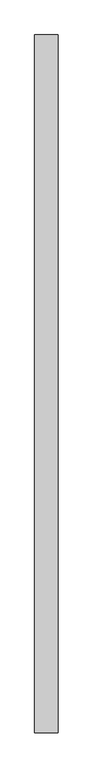
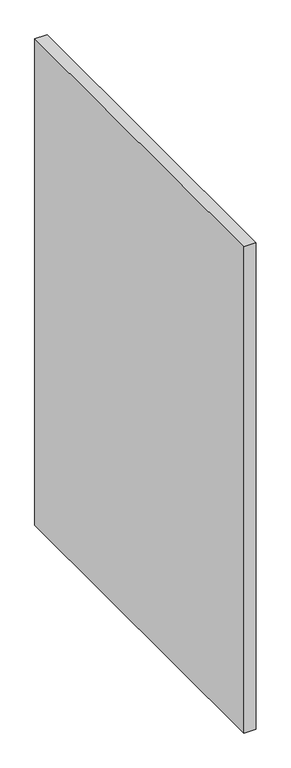
"""IFC4 building model written with IfcOpenShell, lengths in millimetres: proxy geometry."""

import ifcopenshell
import ifcopenshell.guid

model = None  # the IFC model being written
_history = None  # IfcOwnerHistory: only IFC2X3 demands one
_inside = {}  # id of a spatial element -> (the spatial element, [elements in it])
_under = {}  # id of a project, library or spatial element -> (it, [spatial elements below it])
_declared = {}  # id of a project -> (the project, [libraries it declares])
_typed = {}  # id of a type object -> (the type object, [elements of that type])
_made_of = {}  # id of a material, layer set ... -> (it, [elements and type objects made of it])


def new_model(schema):
    """Start an empty IFC model of exactly this schema.

    Asked for "IFC4X3", IfcOpenShell would pick the latest addendum, in which some entities
    have other attributes; the version numbers below select the first issue.
    IFC2X3 requires an IfcOwnerHistory on every rooted entity: one is made here for all.
    """
    global model, _history
    if schema == "IFC4X3":
        model = ifcopenshell.file(schema_version=(4, 3, 0, 0))
    else:
        model = ifcopenshell.file(schema=schema)
    _inside.clear()
    _under.clear()
    _declared.clear()
    _typed.clear()
    _made_of.clear()
    _history = None
    if model.schema == "IFC2X3":
        org = make("IfcOrganization", Name="unknown")
        user = make(
            "IfcPersonAndOrganization",
            ThePerson=make("IfcPerson", FamilyName="unknown"),
            TheOrganization=org,
        )
        app = make(
            "IfcApplication",
            ApplicationDeveloper=org,
            Version="unknown",
            ApplicationFullName="unknown",
            ApplicationIdentifier="unknown",
        )
        _history = make(
            "IfcOwnerHistory",
            OwningUser=user,
            OwningApplication=app,
            ChangeAction="ADDED",
            CreationDate=0,
        )
    return model


def make(cls, **values):
    """One entity of the class cls with the attributes given. An attribute that is None is left unset."""
    return model.create_entity(
        cls, **{name: value for name, value in values.items() if value is not None}
    )


def rooted(cls, **values):
    """An entity with a GlobalId (a new one), such as an element, a storey or a relation."""
    return make(cls, GlobalId=ifcopenshell.guid.new(), OwnerHistory=_history, **values)


def si_unit(unit_type, name, prefix=None):
    """IfcSIUnit, for example si_unit("LENGTHUNIT", "METRE", prefix="MILLI")."""
    return make("IfcSIUnit", UnitType=unit_type, Prefix=prefix, Name=name)


def assignment(units):
    """IfcUnitAssignment: the units of a project."""
    return None if units is None else make("IfcUnitAssignment", Units=units)


def point(xyz):
    """IfcCartesianPoint."""
    return None if xyz is None else make("IfcCartesianPoint", Coordinates=xyz)


def direction(xyz):
    """IfcDirection."""
    return None if xyz is None else make("IfcDirection", DirectionRatios=xyz)


def frame(location, z_axis=None, x_axis=None):
    """IfcAxis2Placement3D, a coordinate frame: its origin and axes. An axis left out is left unset."""
    return make(
        "IfcAxis2Placement3D",
        Location=point(location),
        Axis=direction(z_axis),
        RefDirection=direction(x_axis),
    )


def origin():
    """The frame at (0, 0, 0) with its axes left unset."""
    return frame((0.0, 0.0, 0.0))


def origin_with_axes():
    """The frame at (0, 0, 0) with the z axis (0, 0, 1) and the x axis (1, 0, 0) written out."""
    return frame((0.0, 0.0, 0.0), z_axis=(0.0, 0.0, 1.0), x_axis=(1.0, 0.0, 0.0))


def place(relative_to, where):
    """IfcLocalPlacement: puts the frame where relative to a parent placement (None: the world)."""
    return make(
        "IfcLocalPlacement", PlacementRelTo=relative_to, RelativePlacement=where
    )


def context(
    kind, dimensions, precision=None, world=None, true_north=None, identifier=None
):
    """IfcGeometricRepresentationContext, for example the 3D "Model" context."""
    return make(
        "IfcGeometricRepresentationContext",
        ContextIdentifier=identifier,
        ContextType=kind,
        CoordinateSpaceDimension=dimensions,
        Precision=precision,
        WorldCoordinateSystem=world,
        TrueNorth=true_north,
    )


def project(units=None, contexts=None):
    """IfcProject with its units and contexts."""
    return rooted(
        "IfcProject",
        Name="project",
        RepresentationContexts=contexts,
        UnitsInContext=assignment(units),
    )


def spatial(cls, under=None, at=None, **own):
    """A site, building, storey or space (cls), placed at a placement, below another one or the project."""
    s = rooted(cls, ObjectPlacement=at, **own)
    if under is not None:
        _under.setdefault(under.id(), (under, []))[1].append(s)
    return s


def polyline(points):
    """IfcPolyline through the points."""
    return make("IfcPolyline", Points=[point(p) for p in points])


def outline(outer, holes=None, kind="AREA"):
    """IfcArbitraryClosedProfileDef: a profile drawn as a closed curve; with holes, ...WithVoids."""
    if holes is None:
        return make("IfcArbitraryClosedProfileDef", ProfileType=kind, OuterCurve=outer)
    return make(
        "IfcArbitraryProfileDefWithVoids",
        ProfileType=kind,
        OuterCurve=outer,
        InnerCurves=holes,
    )


def extrude(swept, where, along, depth):
    """IfcExtrudedAreaSolid: the profile swept, set in the frame where, extruded along a direction by depth."""
    return make(
        "IfcExtrudedAreaSolid",
        SweptArea=swept,
        Position=where,
        ExtrudedDirection=direction(along),
        Depth=depth,
    )


def shape(context_of_items, identifier, shape_type, items):
    """IfcShapeRepresentation: the items that make up one representation, for example the "Body"."""
    return make(
        "IfcShapeRepresentation",
        ContextOfItems=context_of_items,
        RepresentationIdentifier=identifier,
        RepresentationType=shape_type,
        Items=items,
    )


def source(mapping_origin, context_of_items, identifier, shape_type, items):
    """IfcRepresentationMap: a shape defined once, which mapped items show again and again."""
    return make(
        "IfcRepresentationMap",
        MappingOrigin=mapping_origin,
        MappedRepresentation=shape(context_of_items, identifier, shape_type, items),
    )


def transform(
    local_origin,
    x_axis=None,
    y_axis=None,
    z_axis=None,
    scale=None,
    scale2=None,
    scale3=None,
    uniform=True,
):
    """IfcCartesianTransformationOperator3D, or its non-uniform kind. x_axis, y_axis, z_axis: its Axis1, 2, 3."""
    if uniform:
        return make(
            "IfcCartesianTransformationOperator3D",
            Axis1=direction(x_axis),
            Axis2=direction(y_axis),
            LocalOrigin=point(local_origin),
            Scale=scale,
            Axis3=direction(z_axis),
        )
    return make(
        "IfcCartesianTransformationOperator3DnonUniform",
        Axis1=direction(x_axis),
        Axis2=direction(y_axis),
        LocalOrigin=point(local_origin),
        Scale=scale,
        Axis3=direction(z_axis),
        Scale2=scale2,
        Scale3=scale3,
    )


def mapped(mapping_source, mapping_target):
    """IfcMappedItem: shows the shape of a source again, moved by a transform."""
    return make(
        "IfcMappedItem", MappingSource=mapping_source, MappingTarget=mapping_target
    )


def made_of(thing, what):
    """Note that an element or type object is made of a material, layer set ...; save() writes the relation."""
    if what is not None:
        _made_of.setdefault(what.id(), (what, []))[1].append(thing)
    return thing


def element(
    cls,
    number,
    at=None,
    inside=None,
    cuts=None,
    type_object=None,
    material=None,
    context=None,
    identifier="Body",
    shape_type=None,
    held_by="IfcProductDefinitionShape",
    body=None,
    shapes=None,
    **own,
):
    """One element of the class cls, such as IfcWall. Its Tag is "e" and its number.

    at: its placement. inside: the storey or other place that contains it. cuts: it is an
    opening in that element (IfcRelVoidsElement). A single representation is given by context,
    identifier, shape_type and body (its items); several are given by shapes. held_by: the class
    of the entity that holds the representations. save() writes the other relations.
    """
    e = rooted(cls, Tag="e%d" % number, ObjectPlacement=at, **own)
    if body is not None:
        shapes = [shape(context, identifier, shape_type, body)]
    if shapes is not None:
        e.Representation = make(held_by, Representations=shapes)
    if inside is not None:
        _inside.setdefault(inside.id(), (inside, []))[1].append(e)
    if cuts is not None:
        rooted(
            "IfcRelVoidsElement", RelatingBuildingElement=cuts, RelatedOpeningElement=e
        )
    if type_object is not None:
        _typed.setdefault(type_object.id(), (type_object, []))[1].append(e)
    return made_of(e, material)


def aggregate(whole, parts):
    """IfcRelAggregates: a whole, such as a stair, and the parts it consists of."""
    return rooted("IfcRelAggregates", RelatingObject=whole, RelatedObjects=parts)


def save(model, path):
    """Write the relations noted so far, then the file.

    IfcRelAggregates (storeys below a building ...), IfcRelContainedInSpatialStructure (elements
    in a storey), IfcRelDefinesByType, IfcRelAssociatesMaterial and IfcRelDeclares: one each for
    every whole, place, type object, material and project.
    """
    for whole, parts in _under.values():
        aggregate(whole, parts)
    for where, things in _inside.values():
        rooted(
            "IfcRelContainedInSpatialStructure",
            RelatedElements=things,
            RelatingStructure=where,
        )
    for kind, things in _typed.values():
        rooted("IfcRelDefinesByType", RelatedObjects=things, RelatingType=kind)
    for what, things in _made_of.values():
        rooted("IfcRelAssociatesMaterial", RelatedObjects=things, RelatingMaterial=what)
    for by, libraries in _declared.values():
        rooted("IfcRelDeclares", RelatingContext=by, RelatedDefinitions=libraries)
    model.write(path)


def generic_models_32492aa8(model_context):
    return source(origin(), model_context, "Body", "SweptSolid", [
        extrude(outline(polyline([(80.0, -2400.0), (0.0, -2400.0), (0.0, 0.0), (80.0, 0.0), (80.0, -2400.0)])), origin_with_axes(), (0.0, 0.0, 1.0), 3400.0),
    ])


if __name__ == "__main__":
    model = new_model("IFC4")
    model_context = context("Model", 3, world=origin())
    ifc_project = project(units=[si_unit("LENGTHUNIT", "METRE", prefix="MILLI")], contexts=[model_context])
    site = spatial("IfcSite", under=ifc_project)
    building = spatial("IfcBuilding", under=site)
    placement = place(None, origin())
    generic_models_shape = generic_models_32492aa8(model_context)
    element("IfcBuildingElementProxy", 1, Name="Generic Models", at=placement, inside=building, context=model_context, shape_type="MappedRepresentation", body=[
        mapped(generic_models_shape, transform((0.0, 0.0, 0.0), x_axis=(1.0, 0.0, 0.0), y_axis=(0.0, 1.0, 0.0), z_axis=(0.0, 0.0, 1.0))),
    ])
    save(model, "model.ifc")
